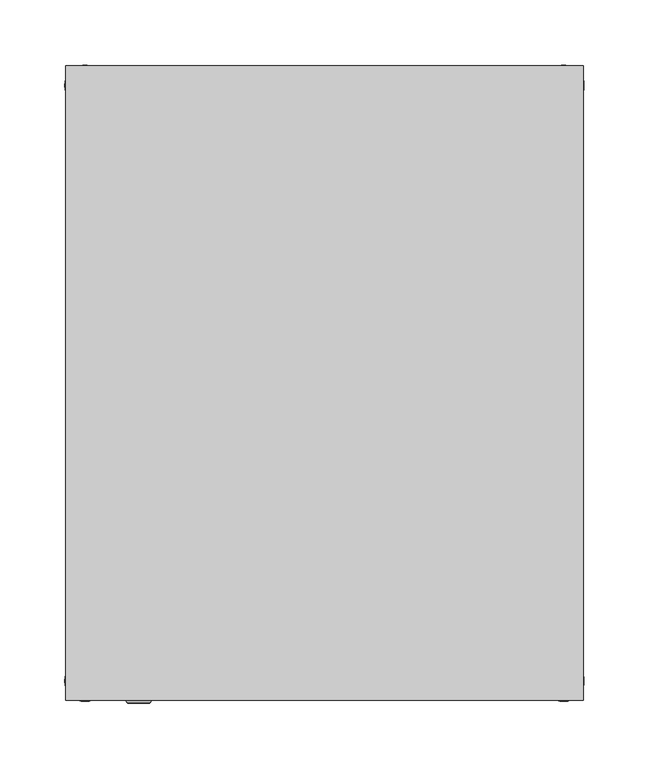
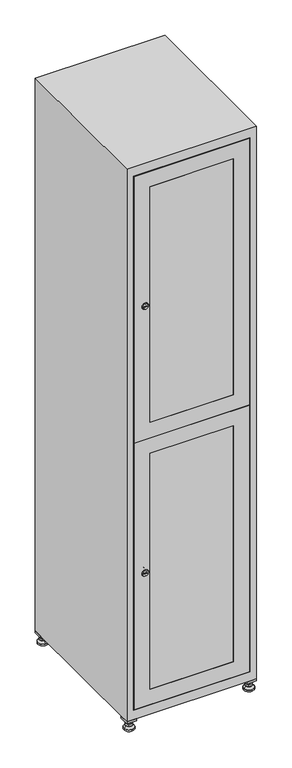
"""IFC4 building model written with IfcOpenShell, lengths in millimetres: furniture geometry."""

from ifc_helpers import new_model, si_unit, point, frame, frame_2d, origin, origin_with_axes, place, context, project, spatial, polyline, circle_curve, trimmed, segment, composite_curve, outline, extrude, faceted_brep, source, transform, mapped, element, save
from ifc_brep_helpers import plane_surface, revolved_surface, advanced_brep


def furniture_f6e2775d(model_context):
    return source(origin(), model_context, "Body", "SolidModel", [
        extrude(outline(polyline([(200.0, 245.0), (200.0, 215.0), (170.0, 215.0), (170.0, 245.0), (200.0, 245.0)]), holes=[polyline([(198.0, 243.0), (172.0, 243.0), (172.0, 217.0), (198.0, 217.0), (198.0, 243.0)])]), frame((0.0, 0.0, 28.5), z_axis=(0.0, 0.0, 1.0), x_axis=(1.0, 0.0, 0.0)), (0.0, 0.0, 1.0), 6.5),
        extrude(outline(polyline([(170.0, -245.0), (170.0, -215.0), (200.0, -215.0), (200.0, -245.0), (170.0, -245.0)]), holes=[polyline([(172.0, -243.0), (198.0, -243.0), (198.0, -217.0), (172.0, -217.0), (172.0, -243.0)])]), frame((0.0, 0.0, 28.5), z_axis=(0.0, 0.0, 1.0), x_axis=(1.0, 0.0, 0.0)), (0.0, 0.0, 1.0), 6.5),
        extrude(outline(polyline([(-170.0, 245.0), (-170.0, 215.0), (-200.0, 215.0), (-200.0, 245.0), (-170.0, 245.0)]), holes=[polyline([(-172.0, 243.0), (-198.0, 243.0), (-198.0, 217.0), (-172.0, 217.0), (-172.0, 243.0)])]), frame((0.0, 0.0, 28.5), z_axis=(0.0, 0.0, 1.0), x_axis=(1.0, 0.0, 0.0)), (0.0, 0.0, 1.0), 6.5),
        extrude(outline(polyline([(-170.0, -215.0), (-170.0, -245.0), (-200.0, -245.0), (-200.0, -215.0), (-170.0, -215.0)]), holes=[polyline([(-198.0, -243.0), (-172.0, -243.0), (-172.0, -217.0), (-198.0, -217.0), (-198.0, -243.0)])]), frame((0.0, 0.0, 28.5), z_axis=(0.0, 0.0, 1.0), x_axis=(1.0, 0.0, 0.0)), (0.0, 0.0, 1.0), 6.5),
        extrude(outline(composite_curve([segment(trimmed(circle_curve(frame_2d((-185.0, 230.0)), 5.0), [point((-180.0, 230.0))], [point((-190.0, 230.0))], False, "CARTESIAN"), True, "CONTINUOUS"), segment(trimmed(circle_curve(frame_2d((-185.0, 230.0)), 5.0), [point((-190.0, 230.0))], [point((-180.0, 230.0))], False, "CARTESIAN"), True, "CONTINUOUS")], self_intersect=False)), frame((0.0, 0.0, 19.6), z_axis=(0.0, 0.0, 1.0), x_axis=(1.0, 0.0, 0.0)), (0.0, 0.0, 1.0), 15.4),
        extrude(outline(composite_curve([segment(trimmed(circle_curve(frame_2d((-185.0, -230.0)), 5.0), [point((-180.0, -230.0))], [point((-190.0, -230.0))], False, "CARTESIAN"), True, "CONTINUOUS"), segment(trimmed(circle_curve(frame_2d((-185.0, -230.0)), 5.0), [point((-190.0, -230.0))], [point((-180.0, -230.0))], False, "CARTESIAN"), True, "CONTINUOUS")], self_intersect=False)), frame((0.0, 0.0, 19.6), z_axis=(0.0, 0.0, 1.0), x_axis=(1.0, 0.0, 0.0)), (0.0, 0.0, 1.0), 15.4),
        extrude(outline(composite_curve([segment(trimmed(circle_curve(frame_2d((185.0, 230.0)), 5.0), [point((190.0, 230.0))], [point((180.0, 230.0))], False, "CARTESIAN"), True, "CONTINUOUS"), segment(trimmed(circle_curve(frame_2d((185.0, 230.0)), 5.0), [point((180.0, 230.0))], [point((190.0, 230.0))], False, "CARTESIAN"), True, "CONTINUOUS")], self_intersect=False)), frame((0.0, 0.0, 19.6), z_axis=(0.0, 0.0, 1.0), x_axis=(1.0, 0.0, 0.0)), (0.0, 0.0, 1.0), 15.4),
        extrude(outline(polyline([(173.4529946, 230.0), (179.2264973, 240.0), (190.7735027, 240.0), (196.5470054, 230.0), (190.7735027, 220.0), (179.2264973, 220.0), (173.4529946, 230.0)])), frame((0.0, 0.0, 13.6), z_axis=(0.0, 0.0, 1.0), x_axis=(1.0, 0.0, 0.0)), (0.0, 0.0, 1.0), 6.0),
        extrude(outline(composite_curve([segment(trimmed(circle_curve(frame_2d((185.0, -230.0)), 5.0), [point((190.0, -230.0))], [point((180.0, -230.0))], False, "CARTESIAN"), True, "CONTINUOUS"), segment(trimmed(circle_curve(frame_2d((185.0, -230.0)), 5.0), [point((180.0, -230.0))], [point((190.0, -230.0))], False, "CARTESIAN"), True, "CONTINUOUS")], self_intersect=False)), frame((0.0, 0.0, 19.6), z_axis=(0.0, 0.0, 1.0), x_axis=(1.0, 0.0, 0.0)), (0.0, 0.0, 1.0), 15.4),
        extrude(outline(polyline([(173.4529946, -230.0), (179.2264973, -220.0), (190.7735027, -220.0), (196.5470054, -230.0), (190.7735027, -240.0), (179.2264973, -240.0), (173.4529946, -230.0)])), frame((0.0, 0.0, 13.6), z_axis=(0.0, 0.0, 1.0), x_axis=(1.0, 0.0, 0.0)), (0.0, 0.0, 1.0), 6.0),
        extrude(outline(composite_curve([segment(trimmed(circle_curve(frame_2d((185.0, 230.0)), 5.0), [point((190.0, 230.0))], [point((180.0, 230.0))], False, "CARTESIAN"), True, "CONTINUOUS"), segment(trimmed(circle_curve(frame_2d((185.0, 230.0)), 5.0), [point((180.0, 230.0))], [point((190.0, 230.0))], False, "CARTESIAN"), True, "CONTINUOUS")], self_intersect=False)), frame((0.0, 0.0, 12.1), z_axis=(0.0, 0.0, 1.0), x_axis=(1.0, 0.0, 0.0)), (0.0, 0.0, 1.0), 1.5),
        extrude(outline(composite_curve([segment(trimmed(circle_curve(frame_2d((185.0, -230.0)), 5.0), [point((190.0, -230.0))], [point((180.0, -230.0))], False, "CARTESIAN"), True, "CONTINUOUS"), segment(trimmed(circle_curve(frame_2d((185.0, -230.0)), 5.0), [point((180.0, -230.0))], [point((190.0, -230.0))], False, "CARTESIAN"), True, "CONTINUOUS")], self_intersect=False)), frame((0.0, 0.0, 12.1), z_axis=(0.0, 0.0, 1.0), x_axis=(1.0, 0.0, 0.0)), (0.0, 0.0, 1.0), 1.5),
        extrude(outline(polyline([(-196.5470054, 230.0), (-190.7735027, 240.0), (-179.2264973, 240.0), (-173.4529946, 230.0), (-179.2264973, 220.0), (-190.7735027, 220.0), (-196.5470054, 230.0)])), frame((0.0, 0.0, 13.6), z_axis=(0.0, 0.0, 1.0), x_axis=(1.0, 0.0, 0.0)), (0.0, 0.0, 1.0), 6.0),
        extrude(outline(polyline([(-196.5470054, -230.0), (-190.7735027, -220.0), (-179.2264973, -220.0), (-173.4529946, -230.0), (-179.2264973, -240.0), (-190.7735027, -240.0), (-196.5470054, -230.0)])), frame((0.0, 0.0, 13.6), z_axis=(0.0, 0.0, 1.0), x_axis=(1.0, 0.0, 0.0)), (0.0, 0.0, 1.0), 6.0),
        extrude(outline(composite_curve([segment(trimmed(circle_curve(frame_2d((-185.0, 230.0)), 5.0), [point((-185.0, 235.0))], [point((-185.0, 225.0))], False, "CARTESIAN"), True, "CONTINUOUS"), segment(trimmed(circle_curve(frame_2d((-185.0, 230.0)), 5.0), [point((-185.0, 225.0))], [point((-185.0, 235.0))], False, "CARTESIAN"), True, "CONTINUOUS")], self_intersect=False)), frame((0.0, 0.0, 12.1), z_axis=(0.0, 0.0, 1.0), x_axis=(1.0, 0.0, 0.0)), (0.0, 0.0, 1.0), 1.5),
        extrude(outline(composite_curve([segment(trimmed(circle_curve(frame_2d((-185.0, -230.0)), 5.0), [point((-180.0, -230.0))], [point((-190.0, -230.0))], False, "CARTESIAN"), True, "CONTINUOUS"), segment(trimmed(circle_curve(frame_2d((-185.0, -230.0)), 5.0), [point((-190.0, -230.0))], [point((-180.0, -230.0))], False, "CARTESIAN"), True, "CONTINUOUS")], self_intersect=False)), frame((0.0, 0.0, 12.1), z_axis=(0.0, 0.0, 1.0), x_axis=(1.0, 0.0, 0.0)), (0.0, 0.0, 1.0), 1.5),
        extrude(outline(composite_curve([segment(trimmed(circle_curve(frame_2d((185.0, 230.0)), 15.75), [point((200.75, 230.0))], [point((169.25, 230.0))], False, "CARTESIAN"), True, "CONTINUOUS"), segment(trimmed(circle_curve(frame_2d((185.0, 230.0)), 15.75), [point((169.25, 230.0))], [point((200.75, 230.0))], False, "CARTESIAN"), True, "CONTINUOUS")], self_intersect=False)), origin_with_axes(), (0.0, 0.0, 1.0), 5.1),
        extrude(outline(composite_curve([segment(trimmed(circle_curve(frame_2d((185.0, -230.0)), 15.75), [point((185.0, -214.25))], [point((185.0, -245.75))], False, "CARTESIAN"), True, "CONTINUOUS"), segment(trimmed(circle_curve(frame_2d((185.0, -230.0)), 15.75), [point((185.0, -245.75))], [point((185.0, -214.25))], False, "CARTESIAN"), True, "CONTINUOUS")], self_intersect=False)), origin_with_axes(), (0.0, 0.0, 1.0), 5.1),
        extrude(outline(composite_curve([segment(trimmed(circle_curve(frame_2d((-185.0, -230.0)), 15.75), [point((-169.25, -230.0))], [point((-200.75, -230.0))], False, "CARTESIAN"), True, "CONTINUOUS"), segment(trimmed(circle_curve(frame_2d((-185.0, -230.0)), 15.75), [point((-200.75, -230.0))], [point((-169.25, -230.0))], False, "CARTESIAN"), True, "CONTINUOUS")], self_intersect=False)), origin_with_axes(), (0.0, 0.0, 1.0), 5.1),
        extrude(outline(composite_curve([segment(trimmed(circle_curve(frame_2d((-185.0, 230.0)), 15.75), [point((-169.25, 230.0))], [point((-200.75, 230.0))], False, "CARTESIAN"), True, "CONTINUOUS"), segment(trimmed(circle_curve(frame_2d((-185.0, 230.0)), 15.75), [point((-200.75, 230.0))], [point((-169.25, 230.0))], False, "CARTESIAN"), True, "CONTINUOUS")], self_intersect=False)), origin_with_axes(), (0.0, 0.0, 1.0), 5.1),
        advanced_brep(
        [(-185.0, 245.75, 5.1), (-185.0, 214.25, 5.1), (-185.0, 239.5, 12.1), (-185.0, 220.5, 12.1)],
        [
            (0, 1, circle_curve(frame((-185.0, 230.0, 5.1), z_axis=(0.0, 0.0, -1.0), x_axis=(0.0, 1.0, 0.0)), 15.75)),
            (1, 0, circle_curve(frame((-185.0, 230.0, 5.1), z_axis=(0.0, 0.0, -1.0), x_axis=(0.0, -1.0, 0.0)), 15.75)),
            (2, 3, circle_curve(frame((-185.0, 230.0, 12.1), z_axis=(0.0, 0.0, 1.0), x_axis=(0.0, -1.0, 0.0)), 9.5)),
            (3, 2, circle_curve(frame((-185.0, 230.0, 12.1), z_axis=(0.0, 0.0, 1.0), x_axis=(0.0, 1.0, 0.0)), 9.5)),
            (3, 1),
            (0, 2),
        ],
        [
            plane_surface(frame((-185.0, 230.0, 5.1), z_axis=(0.0, 0.0, -1.0), x_axis=(1.0, 0.0, 0.0))),
            plane_surface(frame((-185.0, 230.0, 12.1), z_axis=(0.0, 0.0, 1.0), x_axis=(1.0, 0.0, 0.0))),
            revolved_surface(polyline([(-185.0, 220.5, 12.099999999999998), (-185.0, 214.25, 5.099999999999998)]), (-185.0, 230.0, 22.74), (0.0, 0.0, -1.0)),
            revolved_surface(polyline([(-185.0, 239.5, 12.099999999999998), (-185.0, 245.75, 5.099999999999998)]), (-185.0, 230.0, 22.74), (0.0, 0.0, -1.0)),
        ],
        [
            (0, [[1, 2]]),
            (1, [[3, 4]]),
            (2, [[-4, 5, -1, 6]]),
            (3, [[-3, -6, -2, -5]]),
        ],
    ),
        advanced_brep(
        [(185.0, 245.75, 5.1), (185.0, 214.25, 5.1), (185.0, 239.5, 12.1), (185.0, 220.5, 12.1)],
        [
            (0, 1, circle_curve(frame((185.0, 230.0, 5.1), z_axis=(0.0, 0.0, -1.0), x_axis=(0.0, 1.0, 0.0)), 15.75)),
            (1, 0, circle_curve(frame((185.0, 230.0, 5.1), z_axis=(0.0, 0.0, -1.0), x_axis=(0.0, -1.0, 0.0)), 15.75)),
            (2, 3, circle_curve(frame((185.0, 230.0, 12.1), z_axis=(0.0, 0.0, 1.0), x_axis=(0.0, -1.0, 0.0)), 9.5)),
            (3, 2, circle_curve(frame((185.0, 230.0, 12.1), z_axis=(0.0, 0.0, 1.0), x_axis=(0.0, 1.0, 0.0)), 9.5)),
            (3, 1),
            (0, 2),
        ],
        [
            plane_surface(frame((185.0, 230.0, 5.1), z_axis=(0.0, 0.0, -1.0), x_axis=(1.0, 0.0, 0.0))),
            plane_surface(frame((185.0, 230.0, 12.1), z_axis=(0.0, 0.0, 1.0), x_axis=(1.0, 0.0, 0.0))),
            revolved_surface(polyline([(185.0, 220.5, 12.099999999999998), (185.0, 214.25, 5.099999999999998)]), (185.0, 230.0, 22.74), (0.0, 0.0, -1.0)),
            revolved_surface(polyline([(185.0, 239.5, 12.099999999999998), (185.0, 245.75, 5.099999999999998)]), (185.0, 230.0, 22.74), (0.0, 0.0, -1.0)),
        ],
        [
            (0, [[1, 2]]),
            (1, [[3, 4]]),
            (2, [[-4, 5, -1, 6]]),
            (3, [[-3, -6, -2, -5]]),
        ],
    ),
        advanced_brep(
        [(194.5, -230.0, 12.1), (175.5, -230.0, 12.1), (200.75, -230.0, 5.1), (169.25, -230.0, 5.1)],
        [
            (0, 1, circle_curve(frame((185.0, -230.0, 12.1), z_axis=(0.0, 0.0, 1.0), x_axis=(1.0, 0.0, 0.0)), 9.5)),
            (1, 0, circle_curve(frame((185.0, -230.0, 12.1), z_axis=(0.0, 0.0, 1.0), x_axis=(-1.0, 0.0, 0.0)), 9.5)),
            (2, 3, circle_curve(frame((185.0, -230.0, 5.1), z_axis=(0.0, 0.0, -1.0), x_axis=(-1.0, 0.0, 0.0)), 15.75)),
            (3, 2, circle_curve(frame((185.0, -230.0, 5.1), z_axis=(0.0, 0.0, -1.0), x_axis=(1.0, 0.0, 0.0)), 15.75)),
            (3, 1),
            (0, 2),
        ],
        [
            plane_surface(frame((185.0, -230.0, 12.1), z_axis=(0.0, 0.0, 1.0), x_axis=(0.0, 1.0, 0.0))),
            plane_surface(frame((185.0, -230.0, 5.1), z_axis=(0.0, 0.0, -1.0), x_axis=(0.0, 1.0, 0.0))),
            revolved_surface(polyline([(194.5, -230.0, 12.099999999999998), (200.75, -230.0, 5.099999999999998)]), (185.0, -230.0, 22.74), (0.0, 0.0, -1.0)),
            revolved_surface(polyline([(175.5, -230.0, 12.099999999999998), (169.25, -230.0, 5.099999999999998)]), (185.0, -230.0, 22.74), (0.0, 0.0, -1.0)),
        ],
        [
            (0, [[1, 2]]),
            (1, [[3, 4]]),
            (2, [[-4, 5, -1, 6]]),
            (3, [[-3, -6, -2, -5]]),
        ],
    ),
        advanced_brep(
        [(-175.5, -230.0, 12.1), (-194.5, -230.0, 12.1), (-169.25, -230.0, 5.1), (-200.75, -230.0, 5.1)],
        [
            (0, 1, circle_curve(frame((-185.0, -230.0, 12.1), z_axis=(0.0, 0.0, 1.0), x_axis=(1.0, 0.0, 0.0)), 9.5)),
            (1, 0, circle_curve(frame((-185.0, -230.0, 12.1), z_axis=(0.0, 0.0, 1.0), x_axis=(-1.0, 0.0, 0.0)), 9.5)),
            (2, 3, circle_curve(frame((-185.0, -230.0, 5.1), z_axis=(0.0, 0.0, -1.0), x_axis=(-1.0, 0.0, 0.0)), 15.75)),
            (3, 2, circle_curve(frame((-185.0, -230.0, 5.1), z_axis=(0.0, 0.0, -1.0), x_axis=(1.0, 0.0, 0.0)), 15.75)),
            (3, 1),
            (0, 2),
        ],
        [
            plane_surface(frame((-185.0, -230.0, 12.1), z_axis=(0.0, 0.0, 1.0), x_axis=(0.0, 1.0, 0.0))),
            plane_surface(frame((-185.0, -230.0, 5.1), z_axis=(0.0, 0.0, -1.0), x_axis=(0.0, 1.0, 0.0))),
            revolved_surface(polyline([(-175.5, -230.0, 12.099999999999998), (-169.25, -230.0, 5.099999999999998)]), (-185.0, -230.0, 22.74), (0.0, 0.0, -1.0)),
            revolved_surface(polyline([(-194.5, -230.0, 12.099999999999998), (-200.75, -230.0, 5.099999999999998)]), (-185.0, -230.0, 22.74), (0.0, 0.0, -1.0)),
        ],
        [
            (0, [[1, 2]]),
            (1, [[3, 4]]),
            (2, [[-4, 5, -1, 6]]),
            (3, [[-3, -6, -2, -5]]),
        ],
    ),
        extrude(outline(composite_curve([segment(trimmed(circle_curve(frame_2d((1369.4, -170.3989466)), 7.0), [point((1376.4, -170.3989466))], [point((1362.4, -170.3989466))], False, "CARTESIAN"), True, "CONTINUOUS"), segment(polyline([(1362.4, -170.3989466), (1362.4, -142.3989466)]), True, "CONTINUOUS"), segment(trimmed(circle_curve(frame_2d((1369.4, -142.3989466)), 7.0), [point((1362.4, -142.3989466))], [point((1376.4, -142.3989466))], False, "CARTESIAN"), True, "CONTINUOUS"), segment(polyline([(1376.4, -142.3989466), (1376.4, -170.3989466)]), True, "CONTINUOUS")], self_intersect=False)), frame((0.0, -227.0, 0.0), z_axis=(0.0, 1.0, 0.0), x_axis=(0.0, 0.0, 1.0)), (0.0, 0.0, 1.0), 2.0),
        advanced_brep(
        [(-135.1, -247.2, 1369.4), (-152.1, -247.2, 1369.4), (-148.6, -247.2, 1368.15), (-148.6, -247.2, 1370.65), (-138.6, -247.2, 1370.65), (-138.6, -247.2, 1368.15), (-133.1, -245.0, 1369.4), (-154.1, -245.0, 1369.4), (-148.6, -245.0, 1370.65), (-148.6, -245.0, 1368.15), (-138.6, -245.0, 1368.15), (-138.6, -245.0, 1370.65)],
        [
            (0, 1, circle_curve(frame((-143.6, -247.2, 1369.4), z_axis=(0.0, -1.0, 0.0), x_axis=(1.0, 0.0, 0.0)), 8.5)),
            (1, 0, circle_curve(frame((-143.6, -247.2, 1369.4), z_axis=(0.0, -1.0, 0.0), x_axis=(-1.0, 0.0, 0.0)), 8.5)),
            (2, 3),
            (3, 4),
            (4, 5),
            (5, 2),
            (6, 7, circle_curve(frame((-143.6, -245.0, 1369.4), z_axis=(0.0, 1.0, 0.0), x_axis=(-1.0, 0.0, 0.0)), 10.5)),
            (7, 6, circle_curve(frame((-143.6, -245.0, 1369.4), z_axis=(0.0, 1.0, 0.0), x_axis=(1.0, 0.0, 0.0)), 10.5)),
            (8, 9),
            (9, 10),
            (10, 11),
            (11, 8),
            (0, 6),
            (7, 1),
            (8, 3),
            (2, 9),
            (11, 4),
            (10, 5),
        ],
        [
            plane_surface(frame((-143.6, -247.2, 1369.4), z_axis=(0.0, -1.0, 0.0), x_axis=(0.0, 0.0, 1.0))),
            plane_surface(frame((-143.6, -245.0, 1369.4), z_axis=(0.0, 1.0, 0.0), x_axis=(0.0, 0.0, 1.0))),
            revolved_surface(polyline([(-135.1, -247.2, 1369.4), (-133.1, -245.0, 1369.4)]), (-143.6, -256.55, 1369.4), (0.0, 1.0, 0.0)),
            revolved_surface(polyline([(-152.1, -247.2, 1369.4), (-154.1, -245.0, 1369.4)]), (-143.6, -256.55, 1369.4), (0.0, 1.0, 0.0)),
            plane_surface(frame((-148.6, -245.0, 1368.15), z_axis=(1.0, 0.0, 0.0), x_axis=(0.0, -1.0, 0.0))),
            plane_surface(frame((-148.6, -245.0, 1370.65), z_axis=(0.0, 0.0, -1.0), x_axis=(0.0, -1.0, 0.0))),
            plane_surface(frame((-138.6, -245.0, 1370.65), z_axis=(-1.0, 0.0, 0.0), x_axis=(0.0, -1.0, 0.0))),
            plane_surface(frame((-138.6, -245.0, 1368.15), z_axis=(0.0, 0.0, 1.0), x_axis=(0.0, -1.0, 0.0))),
        ],
        [
            (0, [[1, 2], [3, 4, 5, 6]]),
            (1, [[7, 8], [9, 10, 11, 12]]),
            (2, [[-1, 13, -8, 14]]),
            (3, [[-2, -14, -7, -13]]),
            (4, [[15, -3, 16, -9]]),
            (5, [[-15, -12, 17, -4]]),
            (6, [[-17, -11, 18, -5]]),
            (7, [[-16, -6, -18, -10]]),
        ],
    ),
        extrude(outline(composite_curve([segment(trimmed(circle_curve(frame_2d((500.6, -170.3989466)), 7.0), [point((507.6, -170.3989466))], [point((493.6, -170.3989466))], False, "CARTESIAN"), True, "CONTINUOUS"), segment(polyline([(493.6, -170.3989466), (493.6, -142.3989466)]), True, "CONTINUOUS"), segment(trimmed(circle_curve(frame_2d((500.6, -142.3989466)), 7.0), [point((493.6, -142.3989466))], [point((507.6, -142.3989466))], False, "CARTESIAN"), True, "CONTINUOUS"), segment(polyline([(507.6, -142.3989466), (507.6, -170.3989466)]), True, "CONTINUOUS")], self_intersect=False)), frame((0.0, -227.0, 0.0), z_axis=(0.0, 1.0, 0.0), x_axis=(0.0, 0.0, 1.0)), (0.0, 0.0, 1.0), 2.0),
        advanced_brep(
        [(-135.1, -247.2, 500.6), (-152.1, -247.2, 500.6), (-148.6, -247.2, 499.35), (-148.6, -247.2, 501.85), (-138.6, -247.2, 501.85), (-138.6, -247.2, 499.35), (-133.1, -245.0, 500.6), (-154.1, -245.0, 500.6), (-148.6, -245.0, 501.85), (-148.6, -245.0, 499.35), (-138.6, -245.0, 499.35), (-138.6, -245.0, 501.85)],
        [
            (0, 1, circle_curve(frame((-143.6, -247.2, 500.6), z_axis=(0.0, -1.0, 0.0), x_axis=(1.0, 0.0, 0.0)), 8.5)),
            (1, 0, circle_curve(frame((-143.6, -247.2, 500.6), z_axis=(0.0, -1.0, 0.0), x_axis=(-1.0, 0.0, 0.0)), 8.5)),
            (2, 3),
            (3, 4),
            (4, 5),
            (5, 2),
            (6, 7, circle_curve(frame((-143.6, -245.0, 500.6), z_axis=(0.0, 1.0, 0.0), x_axis=(-1.0, 0.0, 0.0)), 10.5)),
            (7, 6, circle_curve(frame((-143.6, -245.0, 500.6), z_axis=(0.0, 1.0, 0.0), x_axis=(1.0, 0.0, 0.0)), 10.5)),
            (8, 9),
            (9, 10),
            (10, 11),
            (11, 8),
            (0, 6),
            (7, 1),
            (8, 3),
            (2, 9),
            (11, 4),
            (10, 5),
        ],
        [
            plane_surface(frame((-143.6, -247.2, 500.6), z_axis=(0.0, -1.0, 0.0), x_axis=(0.0, 0.0, 1.0))),
            plane_surface(frame((-143.6, -245.0, 500.6), z_axis=(0.0, 1.0, 0.0), x_axis=(0.0, 0.0, 1.0))),
            revolved_surface(polyline([(-135.1, -247.2, 500.6), (-133.1, -245.0, 500.6)]), (-143.6, -256.55, 500.6), (0.0, 1.0, 0.0)),
            revolved_surface(polyline([(-152.1, -247.2, 500.6), (-154.1, -245.0, 500.6)]), (-143.6, -256.55, 500.6), (0.0, 1.0, 0.0)),
            plane_surface(frame((-148.6, -245.0, 499.35), z_axis=(1.0, 0.0, 0.0), x_axis=(0.0, -1.0, 0.0))),
            plane_surface(frame((-148.6, -245.0, 501.85), z_axis=(0.0, 0.0, -1.0), x_axis=(0.0, -1.0, 0.0))),
            plane_surface(frame((-138.6, -245.0, 501.85), z_axis=(-1.0, 0.0, 0.0), x_axis=(0.0, -1.0, 0.0))),
            plane_surface(frame((-138.6, -245.0, 499.35), z_axis=(0.0, 0.0, 1.0), x_axis=(0.0, -1.0, 0.0))),
        ],
        [
            (0, [[1, 2], [3, 4, 5, 6]]),
            (1, [[7, 8], [9, 10, 11, 12]]),
            (2, [[-1, 13, -8, 14]]),
            (3, [[-2, -14, -7, -13]]),
            (4, [[15, -3, 16, -9]]),
            (5, [[-15, -12, 17, -4]]),
            (6, [[-17, -11, 18, -5]]),
            (7, [[-16, -6, -18, -10]]),
        ],
    ),
        extrude(outline(polyline([(935.5, 178.6), (1803.8, 178.6), (1803.8, -178.6), (935.5, -178.6), (935.5, 178.6)]), holes=[polyline([(1753.8, -128.6), (1753.8, 128.6), (985.5, 128.6), (985.5, -128.6), (1753.8, -128.6)])]), frame((0.0, -245.0, 0.0), z_axis=(0.0, 1.0, 0.0), x_axis=(0.0, 0.0, 1.0)), (0.0, 0.0, 1.0), 18.0),
        extrude(outline(polyline([(934.5, -178.6), (66.2, -178.6), (66.2, 178.6), (934.5, 178.6), (934.5, -178.6)]), holes=[polyline([(116.2, -128.6), (884.5, -128.6), (884.5, 128.6), (116.2, 128.6), (116.2, -128.6)])]), frame((0.0, -245.0, 0.0), z_axis=(0.0, 1.0, 0.0), x_axis=(0.0, 0.0, 1.0)), (0.0, 0.0, 1.0), 18.0),
        extrude(outline(polyline([(128.6, -245.0), (-128.6, -245.0), (-128.6, -227.0), (128.6, -227.0), (128.6, -245.0)])), frame((0.0, 0.0, 985.5), z_axis=(0.0, 0.0, 1.0), x_axis=(1.0, 0.0, 0.0)), (0.0, 0.0, 1.0), 768.3),
        extrude(outline(polyline([(128.6, -245.0), (-128.6, -245.0), (-128.6, -227.0), (128.6, -227.0), (128.6, -245.0)])), frame((0.0, 0.0, 116.2), z_axis=(0.0, 0.0, 1.0), x_axis=(1.0, 0.0, 0.0)), (0.0, 0.0, 1.0), 768.3),
        extrude(outline(polyline([(179.6, 242.0), (179.6, -227.0), (-179.6, -227.0), (-179.6, 242.0), (179.6, 242.0)])), frame((0.0, 0.0, 924.8), z_axis=(0.0, 0.0, 1.0), x_axis=(1.0, 0.0, 0.0)), (0.0, 0.0, 1.0), 20.4),
        faceted_brep([(200.0, -245.0, 35.0), (200.0, -245.0, 1835.0), (-200.0, -245.0, 1835.0), (-200.0, -245.0, 35.0), (179.6, -245.0, 1804.8), (179.6, -245.0, 65.2), (-179.6, -245.0, 65.2), (-179.6, -245.0, 1804.8), (200.0, 245.0, 35.0), (-200.0, 245.0, 35.0), (200.0, 245.0, 1835.0), (-200.0, 245.0, 1835.0), (179.6, 242.0, 1804.8), (179.6, 242.0, 65.2), (-200.0, 245.0, 1804.8), (-179.6, 242.0, 1804.8), (-179.6, 242.0, 65.2)], [[[0, 1, 2, 3], [4, 5, 6, 7]], [[8, 0, 3, 9]], [[1, 0, 8, 10]], [[1, 10, 11, 2]], [[4, 12, 13, 5]], [[9, 3, 2, 11, 14]], [[10, 8, 9, 14, 11]], [[12, 15, 16, 13]], [[15, 7, 6, 16]], [[4, 7, 15, 12]], [[6, 5, 13, 16]]]),
    ])


if __name__ == "__main__":
    model = new_model("IFC4")
    model_context = context("Model", 3, world=origin())
    ifc_project = project(units=[si_unit("LENGTHUNIT", "METRE", prefix="MILLI")], contexts=[model_context])
    site = spatial("IfcSite", under=ifc_project)
    building = spatial("IfcBuilding", under=site)
    placement = place(None, origin())
    furniture_shape = furniture_f6e2775d(model_context)
    element("IfcFurniture", 1, at=placement, inside=building, context=model_context, shape_type="MappedRepresentation", body=[
        mapped(furniture_shape, transform((0.0, 0.0, 0.0), x_axis=(1.0, 0.0, 0.0), y_axis=(0.0, 1.0, 0.0), z_axis=(0.0, 0.0, 1.0))),
    ])
    save(model, "model.ifc")
